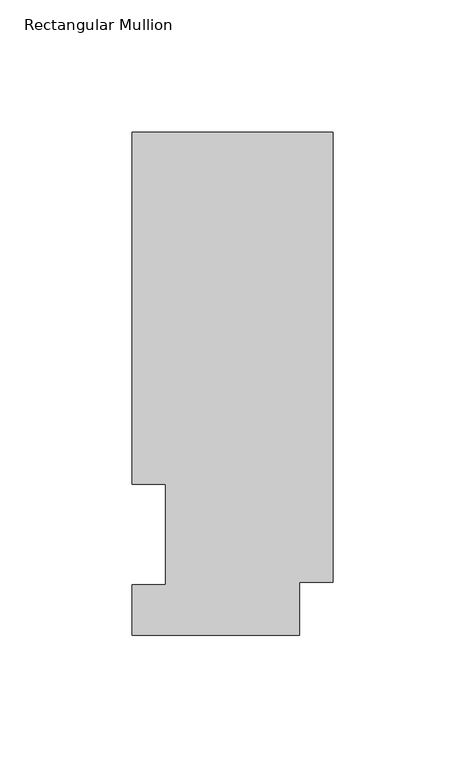
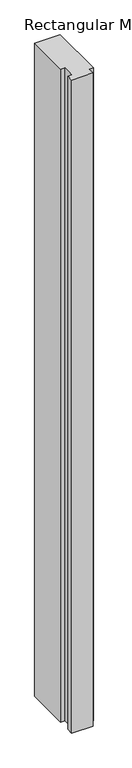
"""IFC4 building model written with IfcOpenShell, lengths in millimetres: member geometry, Rectangular Mullion."""

import ifcopenshell
import ifcopenshell.guid

model = None  # the IFC model being written
_history = None  # IfcOwnerHistory: only IFC2X3 demands one
_inside = {}  # id of a spatial element -> (the spatial element, [elements in it])
_under = {}  # id of a project, library or spatial element -> (it, [spatial elements below it])
_declared = {}  # id of a project -> (the project, [libraries it declares])
_typed = {}  # id of a type object -> (the type object, [elements of that type])
_made_of = {}  # id of a material, layer set ... -> (it, [elements and type objects made of it])


def new_model(schema):
    """Start an empty IFC model of exactly this schema.

    Asked for "IFC4X3", IfcOpenShell would pick the latest addendum, in which some entities
    have other attributes; the version numbers below select the first issue.
    IFC2X3 requires an IfcOwnerHistory on every rooted entity: one is made here for all.
    """
    global model, _history
    if schema == "IFC4X3":
        model = ifcopenshell.file(schema_version=(4, 3, 0, 0))
    else:
        model = ifcopenshell.file(schema=schema)
    _inside.clear()
    _under.clear()
    _declared.clear()
    _typed.clear()
    _made_of.clear()
    _history = None
    if model.schema == "IFC2X3":
        org = make("IfcOrganization", Name="unknown")
        user = make(
            "IfcPersonAndOrganization",
            ThePerson=make("IfcPerson", FamilyName="unknown"),
            TheOrganization=org,
        )
        app = make(
            "IfcApplication",
            ApplicationDeveloper=org,
            Version="unknown",
            ApplicationFullName="unknown",
            ApplicationIdentifier="unknown",
        )
        _history = make(
            "IfcOwnerHistory",
            OwningUser=user,
            OwningApplication=app,
            ChangeAction="ADDED",
            CreationDate=0,
        )
    return model


def make(cls, **values):
    """One entity of the class cls with the attributes given. An attribute that is None is left unset."""
    return model.create_entity(
        cls, **{name: value for name, value in values.items() if value is not None}
    )


def rooted(cls, **values):
    """An entity with a GlobalId (a new one), such as an element, a storey or a relation."""
    return make(cls, GlobalId=ifcopenshell.guid.new(), OwnerHistory=_history, **values)


def si_unit(unit_type, name, prefix=None):
    """IfcSIUnit, for example si_unit("LENGTHUNIT", "METRE", prefix="MILLI")."""
    return make("IfcSIUnit", UnitType=unit_type, Prefix=prefix, Name=name)


def assignment(units):
    """IfcUnitAssignment: the units of a project."""
    return None if units is None else make("IfcUnitAssignment", Units=units)


def point(xyz):
    """IfcCartesianPoint."""
    return None if xyz is None else make("IfcCartesianPoint", Coordinates=xyz)


def direction(xyz):
    """IfcDirection."""
    return None if xyz is None else make("IfcDirection", DirectionRatios=xyz)


def frame(location, z_axis=None, x_axis=None):
    """IfcAxis2Placement3D, a coordinate frame: its origin and axes. An axis left out is left unset."""
    return make(
        "IfcAxis2Placement3D",
        Location=point(location),
        Axis=direction(z_axis),
        RefDirection=direction(x_axis),
    )


def origin():
    """The frame at (0, 0, 0) with its axes left unset."""
    return frame((0.0, 0.0, 0.0))


def place(relative_to, where):
    """IfcLocalPlacement: puts the frame where relative to a parent placement (None: the world)."""
    return make(
        "IfcLocalPlacement", PlacementRelTo=relative_to, RelativePlacement=where
    )


def context(
    kind, dimensions, precision=None, world=None, true_north=None, identifier=None
):
    """IfcGeometricRepresentationContext, for example the 3D "Model" context."""
    return make(
        "IfcGeometricRepresentationContext",
        ContextIdentifier=identifier,
        ContextType=kind,
        CoordinateSpaceDimension=dimensions,
        Precision=precision,
        WorldCoordinateSystem=world,
        TrueNorth=true_north,
    )


def project(units=None, contexts=None):
    """IfcProject with its units and contexts."""
    return rooted(
        "IfcProject",
        Name="project",
        RepresentationContexts=contexts,
        UnitsInContext=assignment(units),
    )


def spatial(cls, under=None, at=None, **own):
    """A site, building, storey or space (cls), placed at a placement, below another one or the project."""
    s = rooted(cls, ObjectPlacement=at, **own)
    if under is not None:
        _under.setdefault(under.id(), (under, []))[1].append(s)
    return s


def polyline(points):
    """IfcPolyline through the points."""
    return make("IfcPolyline", Points=[point(p) for p in points])


def outline(outer, holes=None, kind="AREA"):
    """IfcArbitraryClosedProfileDef: a profile drawn as a closed curve; with holes, ...WithVoids."""
    if holes is None:
        return make("IfcArbitraryClosedProfileDef", ProfileType=kind, OuterCurve=outer)
    return make(
        "IfcArbitraryProfileDefWithVoids",
        ProfileType=kind,
        OuterCurve=outer,
        InnerCurves=holes,
    )


def extrude(swept, where, along, depth):
    """IfcExtrudedAreaSolid: the profile swept, set in the frame where, extruded along a direction by depth."""
    return make(
        "IfcExtrudedAreaSolid",
        SweptArea=swept,
        Position=where,
        ExtrudedDirection=direction(along),
        Depth=depth,
    )


def shape(context_of_items, identifier, shape_type, items):
    """IfcShapeRepresentation: the items that make up one representation, for example the "Body"."""
    return make(
        "IfcShapeRepresentation",
        ContextOfItems=context_of_items,
        RepresentationIdentifier=identifier,
        RepresentationType=shape_type,
        Items=items,
    )


def source(mapping_origin, context_of_items, identifier, shape_type, items):
    """IfcRepresentationMap: a shape defined once, which mapped items show again and again."""
    return make(
        "IfcRepresentationMap",
        MappingOrigin=mapping_origin,
        MappedRepresentation=shape(context_of_items, identifier, shape_type, items),
    )


def transform(
    local_origin,
    x_axis=None,
    y_axis=None,
    z_axis=None,
    scale=None,
    scale2=None,
    scale3=None,
    uniform=True,
):
    """IfcCartesianTransformationOperator3D, or its non-uniform kind. x_axis, y_axis, z_axis: its Axis1, 2, 3."""
    if uniform:
        return make(
            "IfcCartesianTransformationOperator3D",
            Axis1=direction(x_axis),
            Axis2=direction(y_axis),
            LocalOrigin=point(local_origin),
            Scale=scale,
            Axis3=direction(z_axis),
        )
    return make(
        "IfcCartesianTransformationOperator3DnonUniform",
        Axis1=direction(x_axis),
        Axis2=direction(y_axis),
        LocalOrigin=point(local_origin),
        Scale=scale,
        Axis3=direction(z_axis),
        Scale2=scale2,
        Scale3=scale3,
    )


def mapped(mapping_source, mapping_target):
    """IfcMappedItem: shows the shape of a source again, moved by a transform."""
    return make(
        "IfcMappedItem", MappingSource=mapping_source, MappingTarget=mapping_target
    )


def made_of(thing, what):
    """Note that an element or type object is made of a material, layer set ...; save() writes the relation."""
    if what is not None:
        _made_of.setdefault(what.id(), (what, []))[1].append(thing)
    return thing


def element(
    cls,
    number,
    at=None,
    inside=None,
    cuts=None,
    type_object=None,
    material=None,
    context=None,
    identifier="Body",
    shape_type=None,
    held_by="IfcProductDefinitionShape",
    body=None,
    shapes=None,
    **own,
):
    """One element of the class cls, such as IfcWall. Its Tag is "e" and its number.

    at: its placement. inside: the storey or other place that contains it. cuts: it is an
    opening in that element (IfcRelVoidsElement). A single representation is given by context,
    identifier, shape_type and body (its items); several are given by shapes. held_by: the class
    of the entity that holds the representations. save() writes the other relations.
    """
    e = rooted(cls, Tag="e%d" % number, ObjectPlacement=at, **own)
    if body is not None:
        shapes = [shape(context, identifier, shape_type, body)]
    if shapes is not None:
        e.Representation = make(held_by, Representations=shapes)
    if inside is not None:
        _inside.setdefault(inside.id(), (inside, []))[1].append(e)
    if cuts is not None:
        rooted(
            "IfcRelVoidsElement", RelatingBuildingElement=cuts, RelatedOpeningElement=e
        )
    if type_object is not None:
        _typed.setdefault(type_object.id(), (type_object, []))[1].append(e)
    return made_of(e, material)


def aggregate(whole, parts):
    """IfcRelAggregates: a whole, such as a stair, and the parts it consists of."""
    return rooted("IfcRelAggregates", RelatingObject=whole, RelatedObjects=parts)


def save(model, path):
    """Write the relations noted so far, then the file.

    IfcRelAggregates (storeys below a building ...), IfcRelContainedInSpatialStructure (elements
    in a storey), IfcRelDefinesByType, IfcRelAssociatesMaterial and IfcRelDeclares: one each for
    every whole, place, type object, material and project.
    """
    for whole, parts in _under.values():
        aggregate(whole, parts)
    for where, things in _inside.values():
        rooted(
            "IfcRelContainedInSpatialStructure",
            RelatedElements=things,
            RelatingStructure=where,
        )
    for kind, things in _typed.values():
        rooted("IfcRelDefinesByType", RelatedObjects=things, RelatingType=kind)
    for what, things in _made_of.values():
        rooted("IfcRelAssociatesMaterial", RelatedObjects=things, RelatingMaterial=what)
    for by, libraries in _declared.values():
        rooted("IfcRelDeclares", RelatingContext=by, RelatedDefinitions=libraries)
    model.write(path)


def rectangular_mullion_8ef8aa07(model_context):
    return source(origin(), model_context, "Body", "SweptSolid", [
        extrude(outline(polyline([(-76.2, 190.5000001), (0.0, 190.5000001), (0.0, 19.9644001), (-12.6999995, 19.9644001), (-12.6999995, -0.0137626), (-76.1999995, -0.0137626), (-76.1999995, 19.0500001), (-63.5000001, 19.0500001), (-63.5000001, 57.15), (-76.2, 57.15), (-76.2, 190.5000001)])), frame((0.0, 0.0, -2057.4), z_axis=(0.0, 0.0, 1.0), x_axis=(1.0, 0.0, 0.0)), (0.0, 0.0, 1.0), 2057.4),
    ])


if __name__ == "__main__":
    model = new_model("IFC4")
    model_context = context("Model", 3, world=origin())
    ifc_project = project(units=[si_unit("LENGTHUNIT", "METRE", prefix="MILLI")], contexts=[model_context])
    site = spatial("IfcSite", under=ifc_project)
    building = spatial("IfcBuilding", under=site)
    placement = place(None, origin())
    rectangular_mullion_shape = rectangular_mullion_8ef8aa07(model_context)
    element("IfcMember", 1, ObjectType="Rectangular Mullion", at=placement, inside=building, context=model_context, shape_type="MappedRepresentation", body=[
        mapped(rectangular_mullion_shape, transform((0.0, 0.0, 0.0), x_axis=(1.0, 0.0, 0.0), y_axis=(0.0, 1.0, 0.0), z_axis=(0.0, 0.0, 1.0))),
    ])
    save(model, "model.ifc")
